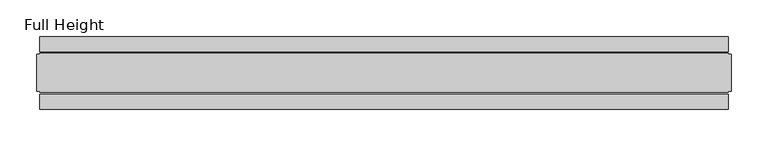
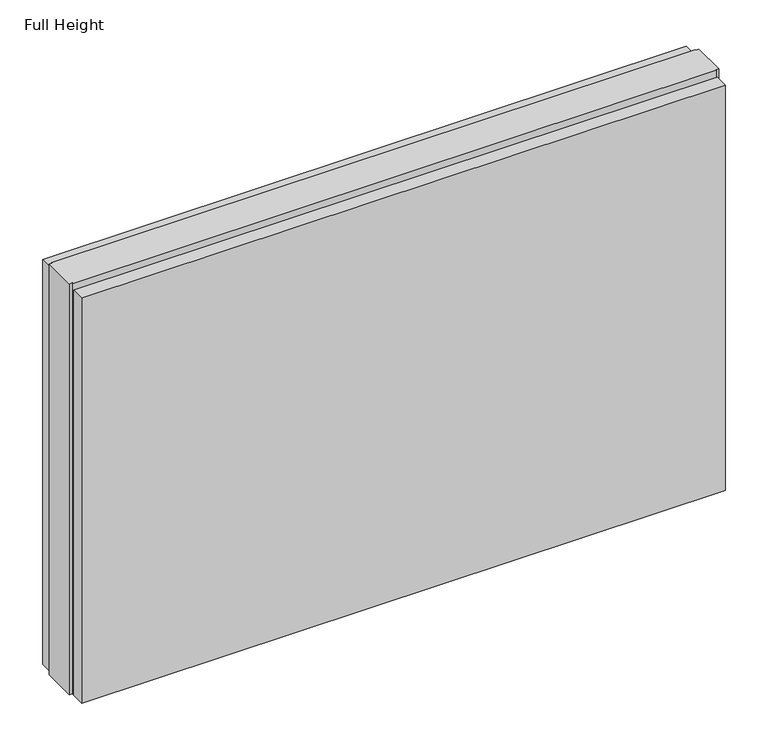
"""IFC4 building model written with IfcOpenShell, lengths in millimetres: plate geometry, Full Height."""

from ifc_helpers import new_model, si_unit, origin, origin_with_axes, place, context, project, spatial, polyline, outline, extrude, source, transform, mapped, element, save


def full_height_d4d2213e(model_context):
    return source(origin(), model_context, "Body", "SweptSolid", [
        extrude(outline(polyline([(470.0875405, 28.956), (-470.0875405, 28.956), (-470.0875405, 49.53), (470.0875405, 49.53), (470.0875405, 28.956)])), origin_with_axes(), (0.0, 0.0, 1.0), 625.856),
        extrude(outline(polyline([(470.0875405, -28.956), (470.0875405, -49.53), (-470.0875405, -49.53), (-470.0875405, -28.956), (470.0875405, -28.956)])), origin_with_axes(), (0.0, 0.0, 1.0), 625.856),
        extrude(outline(polyline([(470.0875405, -25.146), (470.0875405, -26.67), (-470.0875405, -26.67), (-470.0875405, -25.146), (-474.6595405, -25.146), (-474.6595405, 25.146), (-470.0875405, 25.146), (-470.0875405, 26.67), (470.0875405, 26.67), (470.0875405, 25.146), (474.6595405, 25.146), (474.6595405, -25.146), (470.0875405, -25.146)])), origin_with_axes(), (0.0, 0.0, 1.0), 635.0),
    ])


if __name__ == "__main__":
    model = new_model("IFC4")
    model_context = context("Model", 3, world=origin())
    ifc_project = project(units=[si_unit("LENGTHUNIT", "METRE", prefix="MILLI")], contexts=[model_context])
    site = spatial("IfcSite", under=ifc_project)
    building = spatial("IfcBuilding", under=site)
    placement = place(None, origin())
    full_height_shape = full_height_d4d2213e(model_context)
    element("IfcPlate", 1, ObjectType="Full Height", at=placement, inside=building, context=model_context, shape_type="MappedRepresentation", body=[
        mapped(full_height_shape, transform((0.0, 0.0, 0.0), x_axis=(1.0, 0.0, 0.0), y_axis=(0.0, 1.0, 0.0), z_axis=(0.0, 0.0, 1.0))),
    ])
    save(model, "model.ifc")
